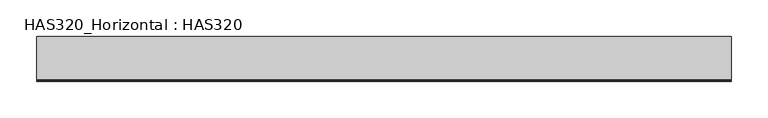
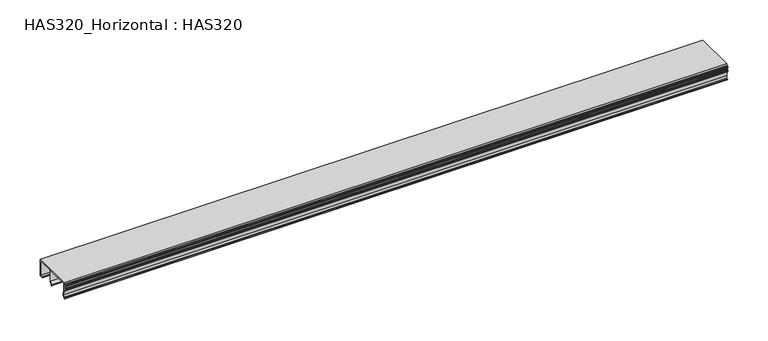
"""IFC4 building model written with IfcOpenShell, lengths in millimetres: beam geometry, HAS320_Horizontal : HAS320."""

from ifc_helpers import new_model, si_unit, point, frame, frame_2d, origin, place, context, project, spatial, polyline, circle_curve, trimmed, segment, composite_curve, outline, extrude, source, transform, mapped, element, save


def has320_horizontal_has320_baa1f967(model_context):
    return source(origin(), model_context, "Body", "SweptSolid", [
        extrude(outline(composite_curve([segment(polyline([(-28.3456592, 23.7684887), (-28.3456592, 15.4919614)]), True, "CONTINUOUS"), segment(trimmed(circle_curve(frame_2d((-29.1945338, 15.4919614)), 0.8488746), [point((-28.3456592, 15.4919614))], [point((-29.1945338, 14.6430868))], False, "CARTESIAN"), True, "CONTINUOUS"), segment(polyline([(-29.1945338, 14.6430868), (-27.9212219, 6.7909968), (-28.3842444, 1.6977492), (-30.892283, 1.6977492), (-31.5289389, 2.3344051), (-30.892283, 2.9710611), (-29.4067524, 2.9710611), (-28.9823151, 6.5787781), (-30.4678457, 14.6430868), (-31.4403573, 14.6430868)]), True, "CONTINUOUS"), segment(trimmed(circle_curve(frame_2d((-31.4403573, 15.1561057)), 0.5130189), [point((-31.4403573, 14.6430868))], [point((-31.9533762, 15.1561057))], False, "CARTESIAN"), True, "CONTINUOUS"), segment(polyline([(-31.9533762, 15.1561057), (-31.9533762, 16.7452281)]), True, "CONTINUOUS"), segment(trimmed(circle_curve(frame_2d((-31.4228296, 16.7452281)), 0.5305466), [point((-31.9533762, 16.7452281))], [point((-30.892283, 16.7452281))], False, "CARTESIAN"), True, "CONTINUOUS"), segment(polyline([(-30.892283, 16.7452281), (-30.892283, 15.9163987), (-29.4067524, 15.9163987), (-29.4067524, 21.4340836), (-30.892283, 21.4340836), (-30.892283, 20.6340836)]), True, "CONTINUOUS"), segment(trimmed(circle_curve(frame_2d((-31.4228296, 20.6340836)), 0.5305466), [point((-30.892283, 20.6340836))], [point((-31.9533762, 20.6340836))], False, "CARTESIAN"), True, "CONTINUOUS"), segment(polyline([(-31.9533762, 20.6340836), (-31.9533762, 22.1908368)]), True, "CONTINUOUS"), segment(trimmed(circle_curve(frame_2d((-31.4368175, 22.1908368)), 0.5165587), [point((-31.9533762, 22.1908368))], [point((-31.4368175, 22.7073955))], False, "CARTESIAN"), True, "CONTINUOUS"), segment(polyline([(-31.4368175, 22.7073955), (-29.6189711, 22.7073955), (-29.6189711, 25.0418006), (29.6189711, 25.0418006), (29.6189711, 0.0), (25.1623794, 0.0), (24.5257235, 0.6366559), (25.1623794, 1.2733119), (28.3456592, 1.2733119), (28.3456592, 23.7684887), (5.426045, 23.7684887), (5.426045, 5.0629306), (3.7282958, 5.3054662), (2.0305466, 3.607717), (2.5876206, 2.6792605)]), True, "CONTINUOUS"), segment(trimmed(circle_curve(frame_2d((2.2799035, 2.2176849)), 0.5547448), [point((2.5876206, 2.6792605))], [point((1.818328, 1.9099678))], False, "CARTESIAN"), True, "CONTINUOUS"), segment(polyline([(1.818328, 1.9099678), (0.6136751, 3.7169472), (4.3649518, 7.2002756), (4.3649518, 23.7684887), (-28.3456592, 23.7684887)]), True, "CONTINUOUS")], self_intersect=False)), frame((-474.9040671, 0.0, 0.0), z_axis=(1.0, 0.0, 0.0), x_axis=(0.0, 1.0, 0.0)), (0.0, 0.0, 1.0), 949.8081342),
    ])


if __name__ == "__main__":
    model = new_model("IFC4")
    model_context = context("Model", 3, world=origin())
    ifc_project = project(units=[si_unit("LENGTHUNIT", "METRE", prefix="MILLI")], contexts=[model_context])
    site = spatial("IfcSite", under=ifc_project)
    building = spatial("IfcBuilding", under=site)
    placement = place(None, origin())
    has320_horizontal_has320_shape = has320_horizontal_has320_baa1f967(model_context)
    element("IfcBeam", 1, ObjectType="HAS320_Horizontal : HAS320", at=placement, inside=building, context=model_context, shape_type="MappedRepresentation", body=[
        mapped(has320_horizontal_has320_shape, transform((0.0, 0.0, 0.0), x_axis=(1.0, 0.0, 0.0), y_axis=(0.0, 1.0, 0.0), z_axis=(0.0, 0.0, 1.0))),
    ])
    save(model, "model.ifc")
